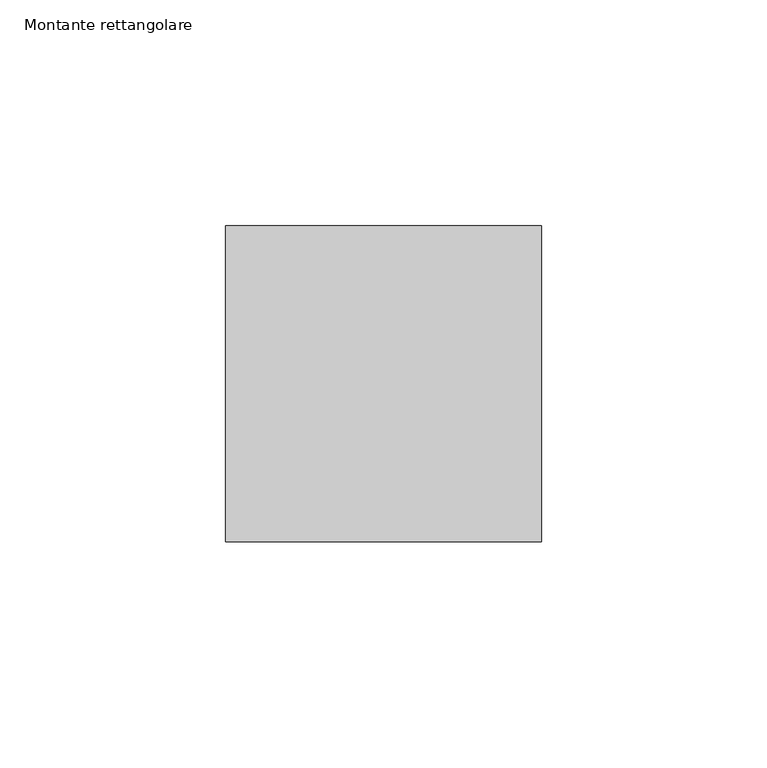
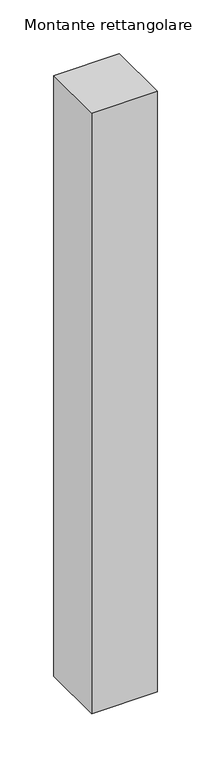
"""IFC4 building model written with IfcOpenShell, lengths in millimetres: member geometry, Montante rettangolare."""

from ifc_helpers import new_model, si_unit, frame, origin, place, context, project, spatial, polyline, outline, extrude, source, transform, mapped, element, save


def montante_rettangolare_41e45d5f(model_context):
    return source(origin(), model_context, "Body", "SweptSolid", [
        extrude(outline(polyline([(35.0, 35.0), (35.0, -35.0), (-35.0, -35.0), (-35.0, 35.0), (35.0, 35.0)])), frame((0.0, 0.0, -680.2146031), z_axis=(0.0, 0.0, 1.0), x_axis=(1.0, 0.0, 0.0)), (0.0, 0.0, 1.0), 680.2146031),
    ])


if __name__ == "__main__":
    model = new_model("IFC4")
    model_context = context("Model", 3, world=origin())
    ifc_project = project(units=[si_unit("LENGTHUNIT", "METRE", prefix="MILLI")], contexts=[model_context])
    site = spatial("IfcSite", under=ifc_project)
    building = spatial("IfcBuilding", under=site)
    placement = place(None, origin())
    montante_rettangolare_shape = montante_rettangolare_41e45d5f(model_context)
    element("IfcMember", 1, ObjectType="Montante rettangolare", at=placement, inside=building, context=model_context, shape_type="MappedRepresentation", body=[
        mapped(montante_rettangolare_shape, transform((0.0, 0.0, 0.0), x_axis=(1.0, 0.0, 0.0), y_axis=(0.0, 1.0, 0.0), z_axis=(0.0, 0.0, 1.0))),
    ])
    save(model, "model.ifc")
